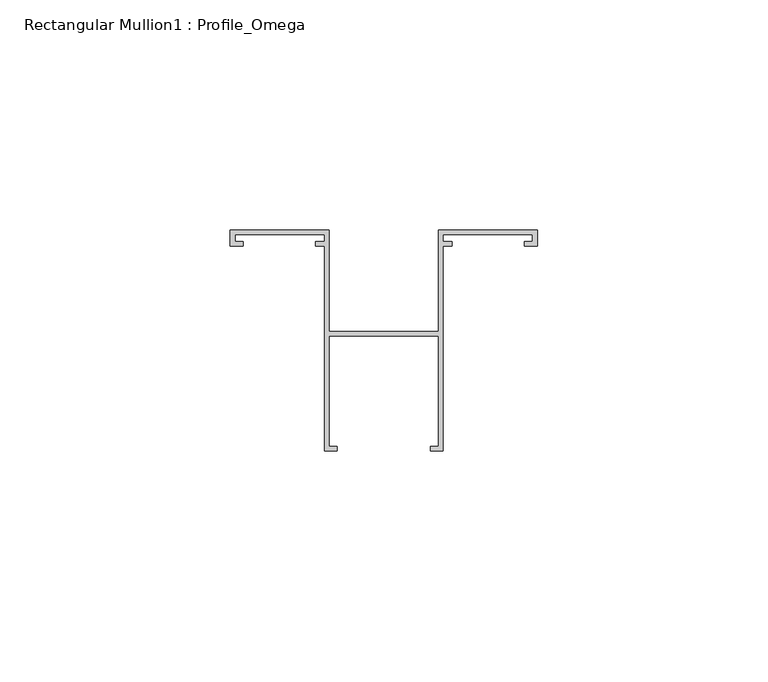
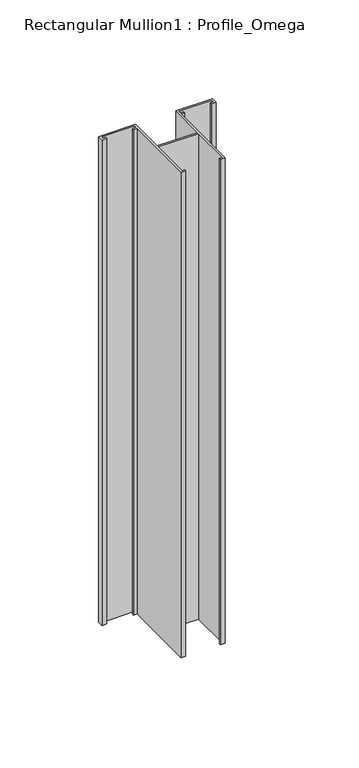
"""IFC4 building model written with IfcOpenShell, lengths in millimetres: member geometry, Rectangular Mullion1 : Profile_Omega."""

from ifc_helpers import new_model, si_unit, frame, origin, place, context, project, spatial, polyline, outline, extrude, source, transform, mapped, element, save


def rectangular_mullion1_profile_omega_6948307a(model_context):
    return source(origin(), model_context, "Body", "SweptSolid", [
        extrude(outline(polyline([(11.85, 21.5), (11.85, 43.5), (33.35, 43.5), (33.35, 40.0), (30.6, 40.0), (30.6, 41.0), (32.3390394, 41.0), (32.3390394, 42.5), (12.85, 42.5), (12.85, 41.0), (14.85, 41.0), (14.85, 40.0), (12.85, 40.0), (12.85, -4.5), (10.1, -4.5), (10.1, -3.5), (11.85, -3.5), (11.85, 20.5), (-11.85, 20.5), (-11.85, -3.5), (-10.1, -3.5), (-10.1, -4.5), (-12.85, -4.5), (-12.85, 40.0), (-14.85, 40.0), (-14.85, 41.0), (-12.85, 41.0), (-12.85, 42.5), (-32.3390394, 42.5), (-32.3390394, 41.0), (-30.6, 41.0), (-30.6, 40.0), (-33.35, 40.0), (-33.35, 43.5), (-11.85, 43.5), (-11.85, 21.5), (11.85, 21.5)])), frame((0.0, 0.0, -300.0), z_axis=(0.0, 0.0, 1.0), x_axis=(1.0, 0.0, 0.0)), (0.0, 0.0, 1.0), 300.0),
    ])


if __name__ == "__main__":
    model = new_model("IFC4")
    model_context = context("Model", 3, world=origin())
    ifc_project = project(units=[si_unit("LENGTHUNIT", "METRE", prefix="MILLI")], contexts=[model_context])
    site = spatial("IfcSite", under=ifc_project)
    building = spatial("IfcBuilding", under=site)
    placement = place(None, origin())
    rectangular_mullion1_profile_omega_shape = rectangular_mullion1_profile_omega_6948307a(model_context)
    element("IfcMember", 1, ObjectType="Rectangular Mullion1 : Profile_Omega", at=placement, inside=building, context=model_context, shape_type="MappedRepresentation", body=[
        mapped(rectangular_mullion1_profile_omega_shape, transform((0.0, 0.0, 0.0), x_axis=(1.0, 0.0, 0.0), y_axis=(0.0, 1.0, 0.0), z_axis=(0.0, 0.0, 1.0))),
    ])
    save(model, "model.ifc")
